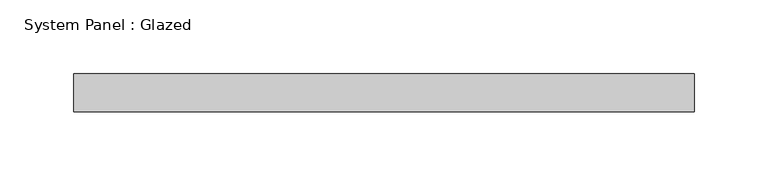
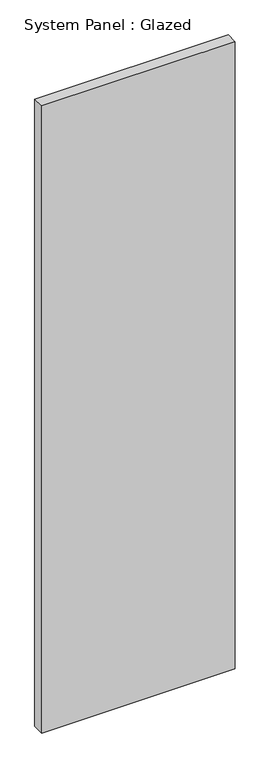
"""IFC4 building model written with IfcOpenShell, lengths in millimetres: plate geometry, System Panel : Glazed."""

from ifc_helpers import new_model, si_unit, origin, origin_with_axes, place, context, project, spatial, polyline, outline, extrude, source, transform, mapped, element, save


def system_panel_glazed_b9e6b20a(model_context):
    return source(origin(), model_context, "Body", "SweptSolid", [
        extrude(outline(polyline([(209.55, 0.0), (-209.55, 0.0), (-209.55, 25.4), (209.55, 25.4), (209.55, 0.0)])), origin_with_axes(), (0.0, 0.0, 1.0), 1435.1),
    ])


if __name__ == "__main__":
    model = new_model("IFC4")
    model_context = context("Model", 3, world=origin())
    ifc_project = project(units=[si_unit("LENGTHUNIT", "METRE", prefix="MILLI")], contexts=[model_context])
    site = spatial("IfcSite", under=ifc_project)
    building = spatial("IfcBuilding", under=site)
    placement = place(None, origin())
    system_panel_glazed_shape = system_panel_glazed_b9e6b20a(model_context)
    element("IfcPlate", 1, ObjectType="System Panel : Glazed", at=placement, inside=building, context=model_context, shape_type="MappedRepresentation", body=[
        mapped(system_panel_glazed_shape, transform((0.0, 0.0, 0.0), x_axis=(1.0, 0.0, 0.0), y_axis=(0.0, 1.0, 0.0), z_axis=(0.0, 0.0, 1.0))),
    ])
    save(model, "model.ifc")
